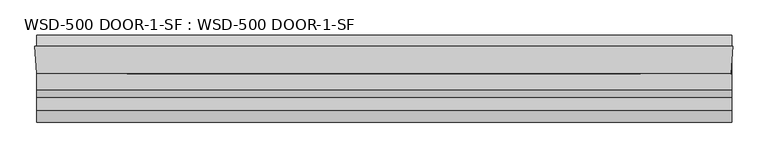
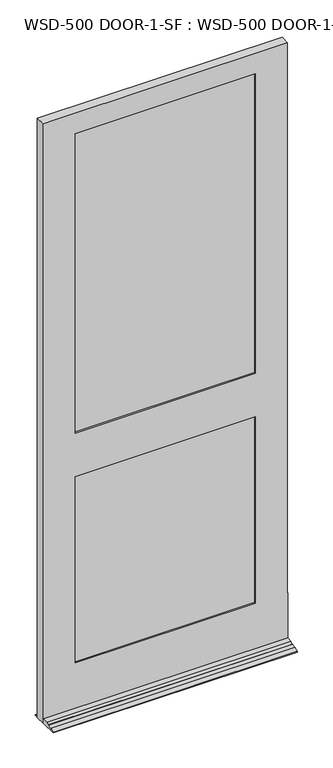
"""IFC4 building model written with IfcOpenShell, lengths in millimetres: plate geometry, WSD-500 DOOR-1-SF : WSD-500 DOOR-1-SF."""

from ifc_helpers import new_model, si_unit, frame, origin, place, context, project, spatial, polyline, outline, extrude, faceted_brep, source, transform, mapped, element, save


def wsd_500_door_1_sf_wsd_500_door_1_sf_efea8647(model_context):
    return source(origin(), model_context, "Body", "SolidModel", [
        faceted_brep([(570.0313901, 1.8752528, 0.0), (571.4353327, 1.8752528, 0.0), (570.0313901, -20.6651106, 0.0), (570.0313901, -121.9497472, 0.0), (-575.0814, -121.9497472, 0.0), (-575.0814, -42.5747472, 0.0), (-577.85, 1.8752528, 0.0), (-575.0814, 1.8752528, 0.0), (-575.0814, 20.9252528, 0.0), (570.0313901, 20.9252528, 0.0), (570.0313901, -35.1325472, 226.2251), (570.0313901, -35.1325472, 246.0625), (570.0313901, -42.5747472, 246.0625), (570.0313901, -42.5747472, 21.4376), (570.0313901, -68.4446472, 21.4376), (570.0313901, -80.8652472, 14.2748), (570.0313901, -80.8652472, 12.7), (570.0313901, -102.8997472, 12.7), (570.0313901, -121.9497472, 3.175), (570.0313901, -20.6651106, 226.2251), (570.0313901, 20.9252528, 3.175), (570.0313901, 1.8752528, 12.7), (-575.0814, 1.8752528, 12.7), (-575.0814, 20.9252528, 3.175), (-575.0814, -121.9497472, 3.175), (-575.0814, -102.8997472, 12.7), (-575.0814, -80.8652472, 12.7), (-575.0814, -80.8652472, 14.2748), (-575.0814, -68.4446472, 21.4376), (-575.0814, -42.5747472, 21.4376), (571.4353327, 1.8752528, 2971.7168046), (-577.85, 1.8752528, 2971.7168046), (-425.45, 1.8752528, 1169.9748), (-425.45, 1.8752528, 246.0625), (419.0353327, 1.8752528, 246.0625), (419.0353327, 1.8752528, 1169.9748), (419.0353327, 1.8752528, 2870.1168046), (-425.45, 1.8752528, 2870.1168046), (-425.45, 1.8752528, 1385.8748), (419.0353327, 1.8752528, 1385.8748), (419.0353327, -9.7325472, 2870.1168046), (-425.45, -9.7325472, 2870.1168046), (438.8727327, -9.7325472, 1189.8249), (-445.2874, -9.7325472, 1189.8249), (-445.2874, -9.7325472, 226.2251), (438.8727327, -9.7325472, 226.2251), (-425.45, -9.7325472, 1169.9748), (419.0353327, -9.7325472, 1169.9748), (419.0353327, -9.7325472, 246.0625), (-425.45, -9.7325472, 246.0625), (438.8727327, -9.7325472, 2890.0374), (-445.2874, -9.7325472, 2890.0374), (-445.2874, -9.7325472, 1366.0374), (438.8727327, -9.7325472, 1366.0374), (419.0353327, -9.7325472, 1385.8748), (-425.45, -9.7325472, 1385.8748), (438.8727327, -35.1325472, 2890.0374), (-445.2874, -35.1325472, 2890.0374), (569.1302755, -35.1325472, 226.2251), (569.1302755, -35.1325472, 246.0625), (-445.2874, -35.1325472, 1189.8249), (438.8727327, -35.1325472, 1189.8249), (438.8727327, -35.1325472, 226.2251), (-445.2874, -35.1325472, 226.2251), (419.0353327, -35.1325472, 1169.9748), (-425.45, -35.1325472, 1169.9748), (-425.45, -35.1325472, 246.0625), (419.0353327, -35.1325472, 246.0625), (438.8727327, -35.1325472, 1366.0374), (-445.2874, -35.1325472, 1366.0374), (419.0353327, -35.1325472, 2870.1168046), (-425.45, -35.1325472, 2870.1168046), (-425.45, -35.1325472, 1385.8748), (419.0353327, -35.1325472, 1385.8748), (419.0353327, -42.5747472, 2870.1168046), (-425.45, -42.5747472, 2870.1168046), (568.6667327, -42.5747472, 2971.7168046), (-575.0814, -42.5747472, 2971.7168046), (568.6667327, -42.5747472, 246.0625), (419.0353327, -42.5747472, 1169.9748), (419.0353327, -42.5747472, 246.0625), (-425.45, -42.5747472, 246.0625), (-425.45, -42.5747472, 1169.9748), (419.0353327, -42.5747472, 1385.8748), (-425.45, -42.5747472, 1385.8748)], [[[0, 1, 2, 3, 4, 5, 6, 7, 8, 9]], [[10, 11, 12, 13, 14, 15, 16, 17, 18, 3, 2, 19]], [[9, 20, 21, 0]], [[22, 23, 8, 7]], [[4, 24, 25, 26, 27, 28, 29, 5]], [[30, 1, 0, 21, 22, 7, 6, 31], [32, 33, 34, 35], [36, 37, 38, 39]], [[36, 40, 41, 37]], [[42, 43, 44, 45], [46, 47, 48, 49]], [[50, 51, 52, 53], [41, 40, 54, 55]], [[50, 56, 57, 51]], [[11, 10, 58, 59]], [[60, 61, 62, 63], [64, 65, 66, 67]], [[57, 56, 68, 69], [70, 71, 72, 73]], [[70, 74, 75, 71]], [[76, 77, 29, 13, 12, 78], [79, 80, 81, 82], [75, 74, 83, 84]], [[76, 30, 31, 77]], [[56, 50, 53, 68]], [[62, 61, 42, 45]], [[74, 70, 73, 83]], [[79, 64, 67, 80]], [[30, 76, 78, 59, 58, 19, 2, 1]], [[40, 36, 39, 54]], [[47, 35, 34, 48]], [[29, 77, 31, 6, 5]], [[71, 75, 84, 72]], [[65, 82, 81, 66]], [[44, 43, 60, 63]], [[51, 57, 69, 52]], [[37, 41, 55, 38]], [[32, 46, 49, 33]], [[39, 38, 55, 54]], [[68, 53, 52, 69]], [[73, 72, 84, 83]], [[65, 64, 79, 82]], [[42, 61, 60, 43]], [[32, 35, 47, 46]], [[10, 19, 58]], [[63, 62, 45, 44]], [[12, 11, 59, 78]], [[67, 66, 81, 80]], [[14, 13, 29, 28]], [[15, 14, 28, 27]], [[16, 15, 27, 26]], [[17, 16, 26, 25]], [[18, 17, 25, 24]], [[3, 18, 24, 4]], [[20, 9, 8, 23]], [[22, 21, 20, 23]], [[34, 33, 49, 48]]]),
        extrude(outline(polyline([(-443.3912802, -9.7325472), (438.2588756, -9.7325472), (438.2588756, -14.8125472), (-443.3912802, -14.8125472), (-443.3912802, -9.7325472)])), frame((0.0, 0.0, 1366.0374), z_axis=(0.0, 0.0, 1.0), x_axis=(1.0, 0.0, 0.0)), (0.0, 0.0, 1.0), 1524.0),
        extrude(outline(polyline([(438.2588756, -24.2105472), (438.2588756, -29.2905472), (-443.3912802, -29.2905472), (-443.3912802, -24.2105472), (438.2588756, -24.2105472)])), frame((0.0, 0.0, 1366.0374), z_axis=(0.0, 0.0, 1.0), x_axis=(1.0, 0.0, 0.0)), (0.0, 0.0, 1.0), 1524.0),
        extrude(outline(polyline([(-443.3912802, -30.0525472), (438.2588756, -30.0525472), (438.2588756, -35.1325472), (-443.3912802, -35.1325472), (-443.3912802, -30.0525472)])), frame((0.0, 0.0, 1366.0374), z_axis=(0.0, 0.0, 1.0), x_axis=(1.0, 0.0, 0.0)), (0.0, 0.0, 1.0), 1524.0),
        extrude(outline(polyline([(-445.2874, -9.7325472), (438.8727327, -9.7325472), (438.8727327, -14.8125472), (-445.2874, -14.8125472), (-445.2874, -9.7325472)])), frame((0.0, 0.0, 226.21875), z_axis=(0.0, 0.0, 1.0), x_axis=(1.0, 0.0, 0.0)), (0.0, 0.0, 1.0), 963.60615),
        extrude(outline(polyline([(438.8727327, -24.2105472), (438.8727327, -29.2905472), (-445.2874, -29.2905472), (-445.2874, -24.2105472), (438.8727327, -24.2105472)])), frame((0.0, 0.0, 226.21875), z_axis=(0.0, 0.0, 1.0), x_axis=(1.0, 0.0, 0.0)), (0.0, 0.0, 1.0), 963.60615),
        extrude(outline(polyline([(-445.2874, -30.0525472), (438.8727327, -30.0525472), (438.8727327, -35.1325472), (-445.2874, -35.1325472), (-445.2874, -30.0525472)])), frame((0.0, 0.0, 226.21875), z_axis=(0.0, 0.0, 1.0), x_axis=(1.0, 0.0, 0.0)), (0.0, 0.0, 1.0), 963.60615),
    ])


if __name__ == "__main__":
    model = new_model("IFC4")
    model_context = context("Model", 3, world=origin())
    ifc_project = project(units=[si_unit("LENGTHUNIT", "METRE", prefix="MILLI")], contexts=[model_context])
    site = spatial("IfcSite", under=ifc_project)
    building = spatial("IfcBuilding", under=site)
    placement = place(None, origin())
    wsd_500_door_1_sf_wsd_500_door_1_sf_shape = wsd_500_door_1_sf_wsd_500_door_1_sf_efea8647(model_context)
    element("IfcPlate", 1, ObjectType="WSD-500 DOOR-1-SF : WSD-500 DOOR-1-SF", at=placement, inside=building, context=model_context, shape_type="MappedRepresentation", body=[
        mapped(wsd_500_door_1_sf_wsd_500_door_1_sf_shape, transform((0.0, 0.0, 0.0), x_axis=(1.0, 0.0, 0.0), y_axis=(0.0, 1.0, 0.0), z_axis=(0.0, 0.0, 1.0))),
    ])
    save(model, "model.ifc")
